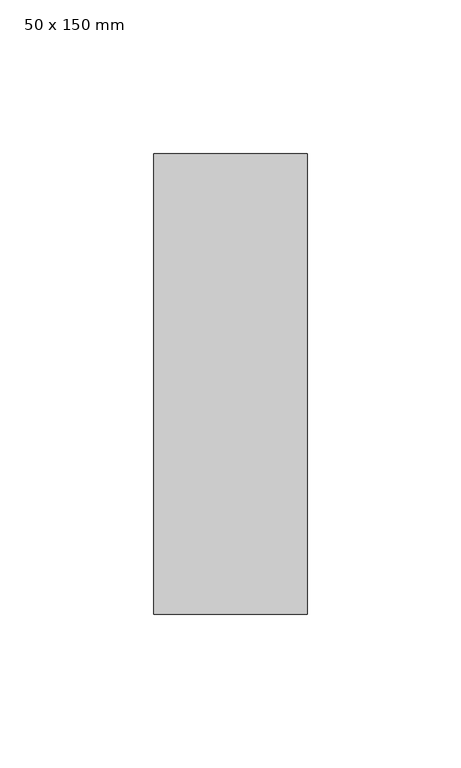
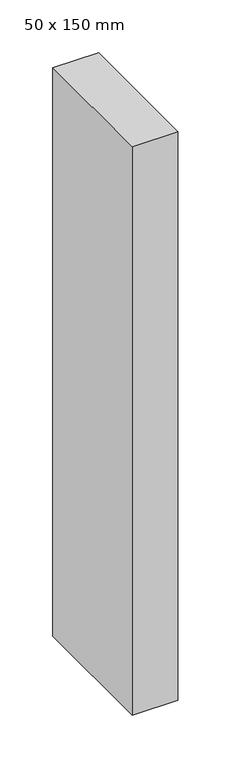
"""IFC4 building model written with IfcOpenShell, lengths in millimetres: member geometry, 50 x 150 mm."""

import ifcopenshell
import ifcopenshell.guid

model = None  # the IFC model being written
_history = None  # IfcOwnerHistory: only IFC2X3 demands one
_inside = {}  # id of a spatial element -> (the spatial element, [elements in it])
_under = {}  # id of a project, library or spatial element -> (it, [spatial elements below it])
_declared = {}  # id of a project -> (the project, [libraries it declares])
_typed = {}  # id of a type object -> (the type object, [elements of that type])
_made_of = {}  # id of a material, layer set ... -> (it, [elements and type objects made of it])


def new_model(schema):
    """Start an empty IFC model of exactly this schema.

    Asked for "IFC4X3", IfcOpenShell would pick the latest addendum, in which some entities
    have other attributes; the version numbers below select the first issue.
    IFC2X3 requires an IfcOwnerHistory on every rooted entity: one is made here for all.
    """
    global model, _history
    if schema == "IFC4X3":
        model = ifcopenshell.file(schema_version=(4, 3, 0, 0))
    else:
        model = ifcopenshell.file(schema=schema)
    _inside.clear()
    _under.clear()
    _declared.clear()
    _typed.clear()
    _made_of.clear()
    _history = None
    if model.schema == "IFC2X3":
        org = make("IfcOrganization", Name="unknown")
        user = make(
            "IfcPersonAndOrganization",
            ThePerson=make("IfcPerson", FamilyName="unknown"),
            TheOrganization=org,
        )
        app = make(
            "IfcApplication",
            ApplicationDeveloper=org,
            Version="unknown",
            ApplicationFullName="unknown",
            ApplicationIdentifier="unknown",
        )
        _history = make(
            "IfcOwnerHistory",
            OwningUser=user,
            OwningApplication=app,
            ChangeAction="ADDED",
            CreationDate=0,
        )
    return model


def make(cls, **values):
    """One entity of the class cls with the attributes given. An attribute that is None is left unset."""
    return model.create_entity(
        cls, **{name: value for name, value in values.items() if value is not None}
    )


def rooted(cls, **values):
    """An entity with a GlobalId (a new one), such as an element, a storey or a relation."""
    return make(cls, GlobalId=ifcopenshell.guid.new(), OwnerHistory=_history, **values)


def si_unit(unit_type, name, prefix=None):
    """IfcSIUnit, for example si_unit("LENGTHUNIT", "METRE", prefix="MILLI")."""
    return make("IfcSIUnit", UnitType=unit_type, Prefix=prefix, Name=name)


def assignment(units):
    """IfcUnitAssignment: the units of a project."""
    return None if units is None else make("IfcUnitAssignment", Units=units)


def point(xyz):
    """IfcCartesianPoint."""
    return None if xyz is None else make("IfcCartesianPoint", Coordinates=xyz)


def direction(xyz):
    """IfcDirection."""
    return None if xyz is None else make("IfcDirection", DirectionRatios=xyz)


def frame(location, z_axis=None, x_axis=None):
    """IfcAxis2Placement3D, a coordinate frame: its origin and axes. An axis left out is left unset."""
    return make(
        "IfcAxis2Placement3D",
        Location=point(location),
        Axis=direction(z_axis),
        RefDirection=direction(x_axis),
    )


def origin():
    """The frame at (0, 0, 0) with its axes left unset."""
    return frame((0.0, 0.0, 0.0))


def place(relative_to, where):
    """IfcLocalPlacement: puts the frame where relative to a parent placement (None: the world)."""
    return make(
        "IfcLocalPlacement", PlacementRelTo=relative_to, RelativePlacement=where
    )


def context(
    kind, dimensions, precision=None, world=None, true_north=None, identifier=None
):
    """IfcGeometricRepresentationContext, for example the 3D "Model" context."""
    return make(
        "IfcGeometricRepresentationContext",
        ContextIdentifier=identifier,
        ContextType=kind,
        CoordinateSpaceDimension=dimensions,
        Precision=precision,
        WorldCoordinateSystem=world,
        TrueNorth=true_north,
    )


def project(units=None, contexts=None):
    """IfcProject with its units and contexts."""
    return rooted(
        "IfcProject",
        Name="project",
        RepresentationContexts=contexts,
        UnitsInContext=assignment(units),
    )


def spatial(cls, under=None, at=None, **own):
    """A site, building, storey or space (cls), placed at a placement, below another one or the project."""
    s = rooted(cls, ObjectPlacement=at, **own)
    if under is not None:
        _under.setdefault(under.id(), (under, []))[1].append(s)
    return s


def polyline(points):
    """IfcPolyline through the points."""
    return make("IfcPolyline", Points=[point(p) for p in points])


def outline(outer, holes=None, kind="AREA"):
    """IfcArbitraryClosedProfileDef: a profile drawn as a closed curve; with holes, ...WithVoids."""
    if holes is None:
        return make("IfcArbitraryClosedProfileDef", ProfileType=kind, OuterCurve=outer)
    return make(
        "IfcArbitraryProfileDefWithVoids",
        ProfileType=kind,
        OuterCurve=outer,
        InnerCurves=holes,
    )


def extrude(swept, where, along, depth):
    """IfcExtrudedAreaSolid: the profile swept, set in the frame where, extruded along a direction by depth."""
    return make(
        "IfcExtrudedAreaSolid",
        SweptArea=swept,
        Position=where,
        ExtrudedDirection=direction(along),
        Depth=depth,
    )


def shape(context_of_items, identifier, shape_type, items):
    """IfcShapeRepresentation: the items that make up one representation, for example the "Body"."""
    return make(
        "IfcShapeRepresentation",
        ContextOfItems=context_of_items,
        RepresentationIdentifier=identifier,
        RepresentationType=shape_type,
        Items=items,
    )


def source(mapping_origin, context_of_items, identifier, shape_type, items):
    """IfcRepresentationMap: a shape defined once, which mapped items show again and again."""
    return make(
        "IfcRepresentationMap",
        MappingOrigin=mapping_origin,
        MappedRepresentation=shape(context_of_items, identifier, shape_type, items),
    )


def transform(
    local_origin,
    x_axis=None,
    y_axis=None,
    z_axis=None,
    scale=None,
    scale2=None,
    scale3=None,
    uniform=True,
):
    """IfcCartesianTransformationOperator3D, or its non-uniform kind. x_axis, y_axis, z_axis: its Axis1, 2, 3."""
    if uniform:
        return make(
            "IfcCartesianTransformationOperator3D",
            Axis1=direction(x_axis),
            Axis2=direction(y_axis),
            LocalOrigin=point(local_origin),
            Scale=scale,
            Axis3=direction(z_axis),
        )
    return make(
        "IfcCartesianTransformationOperator3DnonUniform",
        Axis1=direction(x_axis),
        Axis2=direction(y_axis),
        LocalOrigin=point(local_origin),
        Scale=scale,
        Axis3=direction(z_axis),
        Scale2=scale2,
        Scale3=scale3,
    )


def mapped(mapping_source, mapping_target):
    """IfcMappedItem: shows the shape of a source again, moved by a transform."""
    return make(
        "IfcMappedItem", MappingSource=mapping_source, MappingTarget=mapping_target
    )


def made_of(thing, what):
    """Note that an element or type object is made of a material, layer set ...; save() writes the relation."""
    if what is not None:
        _made_of.setdefault(what.id(), (what, []))[1].append(thing)
    return thing


def element(
    cls,
    number,
    at=None,
    inside=None,
    cuts=None,
    type_object=None,
    material=None,
    context=None,
    identifier="Body",
    shape_type=None,
    held_by="IfcProductDefinitionShape",
    body=None,
    shapes=None,
    **own,
):
    """One element of the class cls, such as IfcWall. Its Tag is "e" and its number.

    at: its placement. inside: the storey or other place that contains it. cuts: it is an
    opening in that element (IfcRelVoidsElement). A single representation is given by context,
    identifier, shape_type and body (its items); several are given by shapes. held_by: the class
    of the entity that holds the representations. save() writes the other relations.
    """
    e = rooted(cls, Tag="e%d" % number, ObjectPlacement=at, **own)
    if body is not None:
        shapes = [shape(context, identifier, shape_type, body)]
    if shapes is not None:
        e.Representation = make(held_by, Representations=shapes)
    if inside is not None:
        _inside.setdefault(inside.id(), (inside, []))[1].append(e)
    if cuts is not None:
        rooted(
            "IfcRelVoidsElement", RelatingBuildingElement=cuts, RelatedOpeningElement=e
        )
    if type_object is not None:
        _typed.setdefault(type_object.id(), (type_object, []))[1].append(e)
    return made_of(e, material)


def aggregate(whole, parts):
    """IfcRelAggregates: a whole, such as a stair, and the parts it consists of."""
    return rooted("IfcRelAggregates", RelatingObject=whole, RelatedObjects=parts)


def save(model, path):
    """Write the relations noted so far, then the file.

    IfcRelAggregates (storeys below a building ...), IfcRelContainedInSpatialStructure (elements
    in a storey), IfcRelDefinesByType, IfcRelAssociatesMaterial and IfcRelDeclares: one each for
    every whole, place, type object, material and project.
    """
    for whole, parts in _under.values():
        aggregate(whole, parts)
    for where, things in _inside.values():
        rooted(
            "IfcRelContainedInSpatialStructure",
            RelatedElements=things,
            RelatingStructure=where,
        )
    for kind, things in _typed.values():
        rooted("IfcRelDefinesByType", RelatedObjects=things, RelatingType=kind)
    for what, things in _made_of.values():
        rooted("IfcRelAssociatesMaterial", RelatedObjects=things, RelatingMaterial=what)
    for by, libraries in _declared.values():
        rooted("IfcRelDeclares", RelatingContext=by, RelatedDefinitions=libraries)
    model.write(path)


def member_50_x_150_mm_325594f8(model_context):
    return source(origin(), model_context, "Body", "SweptSolid", [
        extrude(outline(polyline([(0.0, 75.0), (0.0, -75.0), (-50.0, -75.0), (-50.0, 75.0), (0.0, 75.0)])), frame((0.0, 0.0, -656.8371653), z_axis=(0.0, 0.0, 1.0), x_axis=(1.0, 0.0, 0.0)), (0.0, 0.0, 1.0), 656.8371653),
    ])


if __name__ == "__main__":
    model = new_model("IFC4")
    model_context = context("Model", 3, world=origin())
    ifc_project = project(units=[si_unit("LENGTHUNIT", "METRE", prefix="MILLI")], contexts=[model_context])
    site = spatial("IfcSite", under=ifc_project)
    building = spatial("IfcBuilding", under=site)
    placement = place(None, origin())
    member_50_x_150_mm_shape = member_50_x_150_mm_325594f8(model_context)
    element("IfcMember", 1, ObjectType="50 x 150 mm", at=placement, inside=building, context=model_context, shape_type="MappedRepresentation", body=[
        mapped(member_50_x_150_mm_shape, transform((0.0, 0.0, 0.0), x_axis=(1.0, 0.0, 0.0), y_axis=(0.0, 1.0, 0.0), z_axis=(0.0, 0.0, 1.0))),
    ])
    save(model, "model.ifc")
